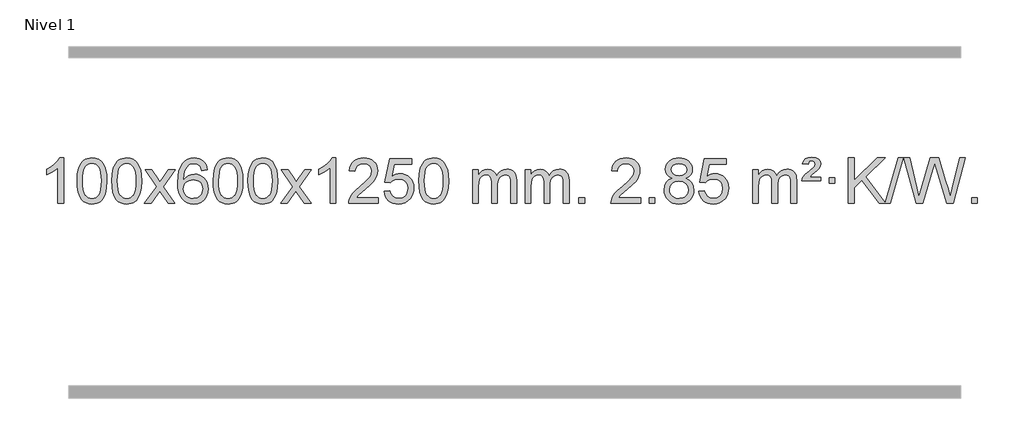
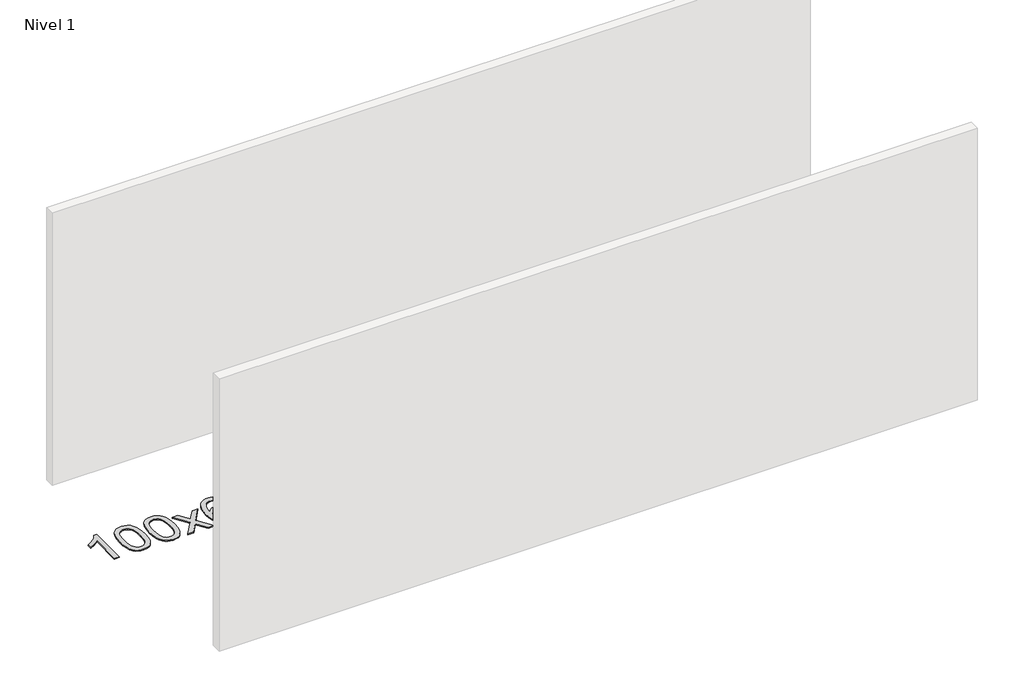
# One storey, part 4 of 9: 1 proxy.
"""IFC4 building model written with IfcOpenShell, lengths in millimetres."""

from ifc_helpers import new_model, si_unit, origin, origin_with_axes, place, context, project, spatial, polyline, outline, extrude, element, save

model = new_model("IFC4")

# Units and contexts
model_context = context("Model", 3, world=origin())
ifc_project = project(units=[si_unit("LENGTHUNIT", "METRE", prefix="MILLI")], contexts=[model_context])

# Site, building, storey
site = spatial("IfcSite", under=ifc_project)
building = spatial("IfcBuilding", under=site)
storey = spatial("IfcBuildingStorey", under=building, Name="Nivel 1", Elevation=0.0)

# Proxy
placement = place(None, origin())
element("IfcBuildingElementProxy", 1, Name="Texto de modelo 1", ObjectType="Texto de modelo 1", at=placement, inside=storey, context=model_context, shape_type="SweptSolid", body=[
    extrude(outline(polyline([(-6575.4615788, -12403.579453), (-6625.6897338, -12403.579453), (-6625.6897338, -12090.4382987), (-6646.6590076, -12107.3976587), (-6673.2691385, -12124.3324932), (-6726.146044, -12149.6918254), (-6726.146044, -12102.2105225), (-6686.6968314, -12080.7507395), (-6652.520594, -12055.219729), (-6625.5793692, -12028.0700378), (-6607.8351943, -12001.7542124), (-6575.4615788, -12001.7542124), (-6575.4615788, -12403.579453)])), origin_with_axes(), (0.0, 0.0, 1.0), 10.0),
    extrude(outline(polyline([(-6456.1697105, -12205.9041943), (-6452.4786278, -12141.5861588), (-6441.4053797, -12090.2911459), (-6423.0603309, -12051.2343407), (-6411.2022679, -12036.0009605), (-6397.5538459, -12023.6309284), (-6382.0690796, -12014.0598651), (-6364.7019837, -12007.2233914), (-6324.3208034, -12001.7542124), (-6293.3696649, -12004.991574), (-6265.6558879, -12014.7036586), (-6242.4793222, -12030.5103217), (-6225.1398175, -12052.0314184), (-6212.0432185, -12079.0830078), (-6201.5953698, -12111.4811488), (-6194.7527647, -12152.6226186), (-6192.4718963, -12205.9041943), (-6196.1261908, -12269.8543477), (-6207.0890743, -12321.0267333), (-6225.3237585, -12360.1203266), (-6237.1542303, -12375.3996922), (-6250.7934553, -12387.8341036), (-6266.2966157, -12397.4695462), (-6283.7188939, -12404.3520052), (-6324.3208034, -12409.8579724), (-6351.9855294, -12407.4667394), (-6376.5109958, -12400.2930405), (-6397.8972024, -12388.3368757), (-6416.1441494, -12371.5982449), (-6433.6553324, -12341.3399508), (-6446.1633202, -12303.6381776), (-6453.6681129, -12258.4929255), (-6456.1697105, -12205.9041943)]), holes=[polyline([(-6405.9415554, -12205.8060924), (-6404.4700274, -12249.4706195), (-6400.0554435, -12284.8148822), (-6392.6978036, -12311.8388804), (-6382.3971077, -12330.5426142), (-6369.9381708, -12343.2682656), (-6356.1058078, -12352.3580165), (-6340.9000186, -12357.8118671), (-6324.3208034, -12359.6298173), (-6307.7415881, -12357.8057357), (-6292.535799, -12352.3334911), (-6278.703436, -12343.2130833), (-6266.2444991, -12330.4445124), (-6255.9438032, -12311.7101217), (-6248.5861633, -12284.6922549), (-6244.1715794, -12249.3909118), (-6242.7000514, -12205.8060924), (-6244.1225284, -12163.2973278), (-6248.3899596, -12128.5753989), (-6255.5023448, -12101.6403055), (-6265.4596842, -12082.4920476), (-6277.7101546, -12069.1440625), (-6291.7019332, -12059.6097875), (-6307.4350198, -12053.8892225), (-6324.9094146, -12051.9823675), (-6341.4027907, -12053.6623619), (-6356.3510624, -12058.7023452), (-6369.7542298, -12067.1023175), (-6381.6122928, -12078.8622786), (-6392.2563452, -12099.708925), (-6399.8592397, -12127.8151094), (-6404.4209765, -12163.1808319), (-6405.9415554, -12205.8060924)])]), origin_with_axes(), (0.0, 0.0, 1.0), 10.0),
    extrude(outline(polyline([(-6148.5222606, -12205.9041943), (-6144.8311779, -12141.5861588), (-6133.7579299, -12090.2911459), (-6115.4128811, -12051.2343407), (-6103.5548181, -12036.0009605), (-6089.9063961, -12023.6309284), (-6074.4216298, -12014.0598651), (-6057.0545339, -12007.2233914), (-6016.6733536, -12001.7542124), (-5985.722215, -12004.991574), (-5958.0084381, -12014.7036586), (-5934.8318724, -12030.5103217), (-5917.4923677, -12052.0314184), (-5904.3957686, -12079.0830078), (-5893.94792, -12111.4811488), (-5887.1053149, -12152.6226186), (-5884.8244465, -12205.9041943), (-5888.478741, -12269.8543477), (-5899.4416244, -12321.0267333), (-5917.6763087, -12360.1203266), (-5929.5067805, -12375.3996922), (-5943.1460055, -12387.8341036), (-5958.6491659, -12397.4695462), (-5976.071444, -12404.3520052), (-6016.6733536, -12409.8579724), (-6044.3380796, -12407.4667394), (-6068.8635459, -12400.2930405), (-6090.2497526, -12388.3368757), (-6108.4966996, -12371.5982449), (-6126.0078825, -12341.3399508), (-6138.5158704, -12303.6381776), (-6146.0206631, -12258.4929255), (-6148.5222606, -12205.9041943)]), holes=[polyline([(-6098.2941056, -12205.8060924), (-6096.8225776, -12249.4706195), (-6092.4079936, -12284.8148822), (-6085.0503537, -12311.8388804), (-6074.7496579, -12330.5426142), (-6062.290721, -12343.2682656), (-6048.4583579, -12352.3580165), (-6033.2525688, -12357.8118671), (-6016.6733536, -12359.6298173), (-6000.0941383, -12357.8057357), (-5984.8883492, -12352.3334911), (-5971.0559862, -12343.2130833), (-5958.5970493, -12330.4445124), (-5948.2963534, -12311.7101217), (-5940.9387135, -12284.6922549), (-5936.5241295, -12249.3909118), (-5935.0526016, -12205.8060924), (-5936.4750786, -12163.2973278), (-5940.7425098, -12128.5753989), (-5947.854895, -12101.6403055), (-5957.8122343, -12082.4920476), (-5970.0627048, -12069.1440625), (-5984.0544833, -12059.6097875), (-5999.78757, -12053.8892225), (-6017.2619648, -12051.9823675), (-6033.7553409, -12053.6623619), (-6048.7036126, -12058.7023452), (-6062.10678, -12067.1023175), (-6073.9648429, -12078.8622786), (-6084.6088953, -12099.708925), (-6092.2117899, -12127.8151094), (-6096.7735266, -12163.1808319), (-6098.2941056, -12205.8060924)])]), origin_with_axes(), (0.0, 0.0, 1.0), 10.0),
    extrude(outline(polyline([(-5859.7103689, -12403.579453), (-5752.3869282, -12255.2494325), (-5853.4318496, -12108.4890419), (-5793.0011005, -12108.4890419), (-5744.2444734, -12179.122385), (-5721.4848406, -12212.4770192), (-5701.7663657, -12185.2047007), (-5646.2407099, -12108.4890419), (-5585.8099608, -12108.4890419), (-5691.9561791, -12255.2494325), (-5589.7340354, -12403.579453), (-5650.1647845, -12403.579453), (-5711.6746541, -12314.4048574), (-5722.9563686, -12298.1199477), (-5799.2796199, -12403.579453), (-5859.7103689, -12403.579453)])), origin_with_axes(), (0.0, 0.0, 1.0), 10.0),
    extrude(outline(polyline([(-5300.9221437, -12108.4890419), (-5351.1502988, -12114.7675613), (-5359.2437027, -12089.874213), (-5370.1820607, -12072.8780648), (-5392.9662189, -12057.2062918), (-5420.5083176, -12051.9823675), (-5443.8565616, -12055.0235253), (-5465.8313794, -12064.1469988), (-5484.7037258, -12083.3627017), (-5500.1179814, -12109.8134171), (-5510.5290419, -12147.227016), (-5514.3918028, -12199.3313693), (-5494.2441322, -12175.8237098), (-5470.0988106, -12159.2567573), (-5443.3047386, -12149.434308), (-5415.2108169, -12146.1601582), (-5391.077758, -12148.398107), (-5368.8086346, -12155.1119534), (-5348.4034466, -12166.3016975), (-5329.862194, -12181.9673391), (-5314.4540698, -12201.1769106), (-5303.4482668, -12222.9984443), (-5296.844785, -12247.4319401), (-5294.6436244, -12274.4773982), (-5298.7884282, -12310.4439945), (-5311.2228396, -12343.786366), (-5330.9167891, -12372.0642287), (-5356.840207, -12392.8372987), (-5387.815871, -12405.602804), (-5422.6665587, -12409.8579724), (-5452.6090874, -12407.0375437), (-5479.6514797, -12398.5762579), (-5503.7937357, -12384.4741147), (-5525.0358552, -12364.7311143), (-5542.3539001, -12338.5133908), (-5554.7239322, -12304.9870783), (-5562.1459515, -12264.1521768), (-5564.6199579, -12216.0086864), (-5561.8731057, -12162.0342663), (-5553.632549, -12115.9693092), (-5539.8982878, -12077.8138149), (-5520.6703222, -12047.5677835), (-5499.8298072, -12027.5243462), (-5475.6660915, -12013.2076052), (-5448.179175, -12004.6175606), (-5417.3690579, -12001.7542124), (-5394.2354118, -12003.5261773), (-5373.2967949, -12008.8420722), (-5354.5532073, -12017.7018969), (-5338.0046489, -12030.1056515), (-5324.0987094, -12045.6364031), (-5313.2829788, -12063.8772186), (-5305.5574569, -12084.8280983), (-5300.9221437, -12108.4890419)]), holes=[polyline([(-5514.3918028, -12273.6925832), (-5511.485535, -12295.9494439), (-5502.7667318, -12317.2007605), (-5489.2286743, -12335.472233), (-5471.8646442, -12348.7895612), (-5450.9076332, -12356.9197533), (-5426.5906333, -12359.6298173), (-5393.4444655, -12354.0134855), (-5379.5293291, -12346.9930708), (-5367.3861575, -12337.1644901), (-5357.5361171, -12324.9262824), (-5350.500374, -12310.6769865), (-5344.8717794, -12276.1451299), (-5350.4267976, -12242.9989621), (-5357.3705702, -12229.3781312), (-5367.0918519, -12217.725469), (-5379.2718117, -12208.3904634), (-5393.5916183, -12201.7226022), (-5428.6507725, -12196.3883133), (-5461.7478893, -12201.7226022), (-5489.4248781, -12217.725469), (-5500.3479076, -12229.2248471), (-5508.1500716, -12242.3858254), (-5512.83137, -12257.2084042), (-5514.3918028, -12273.6925832)])]), origin_with_axes(), (0.0, 0.0, 1.0), 10.0),
    extrude(outline(polyline([(-5250.6939887, -12205.9041943), (-5247.002906, -12141.5861588), (-5235.9296579, -12090.2911459), (-5217.5846091, -12051.2343407), (-5205.7265461, -12036.0009605), (-5192.0781241, -12023.6309284), (-5176.5933578, -12014.0598651), (-5159.2262619, -12007.2233914), (-5118.8450816, -12001.7542124), (-5087.8939431, -12004.991574), (-5060.1801661, -12014.7036586), (-5037.0036004, -12030.5103217), (-5019.6640957, -12052.0314184), (-5006.5674967, -12079.0830078), (-4996.119648, -12111.4811488), (-4989.2770429, -12152.6226186), (-4986.9961745, -12205.9041943), (-4990.650469, -12269.8543477), (-5001.6133525, -12321.0267333), (-5019.8480367, -12360.1203266), (-5031.6785085, -12375.3996922), (-5045.3177335, -12387.8341036), (-5060.8208939, -12397.4695462), (-5078.2431721, -12404.3520052), (-5118.8450816, -12409.8579724), (-5146.5098076, -12407.4667394), (-5171.035274, -12400.2930405), (-5192.4214806, -12388.3368757), (-5210.6684276, -12371.5982449), (-5228.1796106, -12341.3399508), (-5240.6875984, -12303.6381776), (-5248.1923911, -12258.4929255), (-5250.6939887, -12205.9041943)]), holes=[polyline([(-5200.4658336, -12205.8060924), (-5198.9943056, -12249.4706195), (-5194.5797217, -12284.8148822), (-5187.2220818, -12311.8388804), (-5176.9213859, -12330.5426142), (-5164.462449, -12343.2682656), (-5150.630086, -12352.3580165), (-5135.4242968, -12357.8118671), (-5118.8450816, -12359.6298173), (-5102.2658663, -12357.8057357), (-5087.0600772, -12352.3334911), (-5073.2277142, -12343.2130833), (-5060.7687773, -12330.4445124), (-5050.4680814, -12311.7101217), (-5043.1104415, -12284.6922549), (-5038.6958576, -12249.3909118), (-5037.2243296, -12205.8060924), (-5038.6468066, -12163.2973278), (-5042.9142378, -12128.5753989), (-5050.026623, -12101.6403055), (-5059.9839624, -12082.4920476), (-5072.2344328, -12069.1440625), (-5086.2262114, -12059.6097875), (-5101.959298, -12053.8892225), (-5119.4336928, -12051.9823675), (-5135.9270689, -12053.6623619), (-5150.8753406, -12058.7023452), (-5164.278508, -12067.1023175), (-5176.136571, -12078.8622786), (-5186.7806234, -12099.708925), (-5194.3835179, -12127.8151094), (-5198.9452547, -12163.1808319), (-5200.4658336, -12205.8060924)])]), origin_with_axes(), (0.0, 0.0, 1.0), 10.0),
    extrude(outline(polyline([(-4943.0465388, -12205.9041943), (-4939.3554561, -12141.5861588), (-4928.2822081, -12090.2911459), (-4909.9371593, -12051.2343407), (-4898.0790963, -12036.0009605), (-4884.4306743, -12023.6309284), (-4868.945908, -12014.0598651), (-4851.5788121, -12007.2233914), (-4811.1976318, -12001.7542124), (-4780.2464932, -12004.991574), (-4752.5327163, -12014.7036586), (-4729.3561506, -12030.5103217), (-4712.0166459, -12052.0314184), (-4698.9200468, -12079.0830078), (-4688.4721982, -12111.4811488), (-4681.6295931, -12152.6226186), (-4679.3487247, -12205.9041943), (-4683.0030192, -12269.8543477), (-4693.9659026, -12321.0267333), (-4712.2005869, -12360.1203266), (-4724.0310587, -12375.3996922), (-4737.6702837, -12387.8341036), (-4753.1734441, -12397.4695462), (-4770.5957222, -12404.3520052), (-4811.1976318, -12409.8579724), (-4838.8623578, -12407.4667394), (-4863.3878241, -12400.2930405), (-4884.7740308, -12388.3368757), (-4903.0209778, -12371.5982449), (-4920.5321607, -12341.3399508), (-4933.0401486, -12303.6381776), (-4940.5449413, -12258.4929255), (-4943.0465388, -12205.9041943)]), holes=[polyline([(-4892.8183838, -12205.8060924), (-4891.3468558, -12249.4706195), (-4886.9322718, -12284.8148822), (-4879.5746319, -12311.8388804), (-4869.2739361, -12330.5426142), (-4856.8149992, -12343.2682656), (-4842.9826361, -12352.3580165), (-4827.776847, -12357.8118671), (-4811.1976318, -12359.6298173), (-4794.6184165, -12357.8057357), (-4779.4126274, -12352.3334911), (-4765.5802644, -12343.2130833), (-4753.1213275, -12330.4445124), (-4742.8206316, -12311.7101217), (-4735.4629917, -12284.6922549), (-4731.0484077, -12249.3909118), (-4729.5768798, -12205.8060924), (-4730.9993568, -12163.2973278), (-4735.266788, -12128.5753989), (-4742.3791732, -12101.6403055), (-4752.3365125, -12082.4920476), (-4764.586983, -12069.1440625), (-4778.5787615, -12059.6097875), (-4794.3118482, -12053.8892225), (-4811.786243, -12051.9823675), (-4828.2796191, -12053.6623619), (-4843.2278908, -12058.7023452), (-4856.6310582, -12067.1023175), (-4868.4891211, -12078.8622786), (-4879.1331735, -12099.708925), (-4886.7360681, -12127.8151094), (-4891.2978048, -12163.1808319), (-4892.8183838, -12205.8060924)])]), origin_with_axes(), (0.0, 0.0, 1.0), 10.0),
    extrude(outline(polyline([(-4654.2346472, -12403.579453), (-4546.9112064, -12255.2494325), (-4647.9561278, -12108.4890419), (-4587.5253787, -12108.4890419), (-4538.7687516, -12179.122385), (-4516.0091188, -12212.4770192), (-4496.2906439, -12185.2047007), (-4440.7649881, -12108.4890419), (-4380.334239, -12108.4890419), (-4486.4804574, -12255.2494325), (-4384.2583136, -12403.579453), (-4444.6890627, -12403.579453), (-4506.1989323, -12314.4048574), (-4517.4806468, -12298.1199477), (-4593.8038981, -12403.579453), (-4654.2346472, -12403.579453)])), origin_with_axes(), (0.0, 0.0, 1.0), 10.0),
    extrude(outline(polyline([(-4164.5101352, -12403.579453), (-4214.7382902, -12403.579453), (-4214.7382902, -12090.4382987), (-4235.707564, -12107.3976587), (-4262.317695, -12124.3324932), (-4315.1946004, -12149.6918254), (-4315.1946004, -12102.2105225), (-4275.7453878, -12080.7507395), (-4241.5691504, -12055.219729), (-4214.6279257, -12028.0700378), (-4196.8837508, -12001.7542124), (-4164.5101352, -12001.7542124), (-4164.5101352, -12403.579453)])), origin_with_axes(), (0.0, 0.0, 1.0), 10.0),
    extrude(outline(polyline([(-3787.7989721, -12353.3512979), (-3787.7989721, -12403.579453), (-4051.4967863, -12403.579453), (-4050.3931403, -12385.8965918), (-4046.1011837, -12368.9494945), (-4033.7158232, -12341.8856424), (-4015.5915035, -12315.6311307), (-3989.37378, -12288.1503456), (-3952.7082078, -12257.4076736), (-3898.5069272, -12209.2641831), (-3865.9861588, -12173.7267824), (-3849.7257746, -12144.884834), (-3844.3056466, -12116.8277005), (-3849.4192063, -12091.6768347), (-3864.7598855, -12070.7688747), (-3888.3411214, -12056.6789943), (-3918.1763512, -12051.9823675), (-3949.5076345, -12056.5686297), (-3973.8491598, -12070.3274163), (-3989.557721, -12092.1796068), (-3994.9901118, -12121.0460807), (-4045.2182669, -12114.7675613), (-4040.8987191, -12088.838012), (-4033.0413728, -12066.1826125), (-4021.646228, -12046.8013627), (-4006.7132847, -12030.6942627), (-3988.5858994, -12018.0329907), (-3967.6074286, -12008.989225), (-3943.7778724, -12003.5629655), (-3917.0972307, -12001.7542124), (-3890.1774657, -12003.7653006), (-3866.2191508, -12009.7985654), (-3845.2222859, -12019.8540066), (-3827.1868711, -12033.9316242), (-3812.7015175, -12050.9890861), (-3802.3548364, -12069.9840598), (-3796.1468277, -12090.9165453), (-3794.0774915, -12113.7865427), (-3796.3093089, -12137.8092369), (-3803.0047612, -12161.4149983), (-3814.8873497, -12185.4254299), (-3832.6805755, -12210.6621347), (-3861.0442774, -12240.7916701), (-3904.6382938, -12279.4805933), (-3962.4202925, -12327.795762), (-3985.0818234, -12353.3512979), (-3787.7989721, -12353.3512979)])), origin_with_axes(), (0.0, 0.0, 1.0), 10.0),
    extrude(outline(polyline([(-3737.570817, -12296.8446235), (-3687.342662, -12290.5661041), (-3678.1210866, -12320.7201649), (-3662.0323807, -12342.3148381), (-3639.1501206, -12355.3010725), (-3609.5478827, -12359.6298173), (-3590.418019, -12358.1245668), (-3573.5444981, -12353.6088153), (-3558.9273202, -12346.0825628), (-3546.5664851, -12335.5458094), (-3536.7379045, -12322.519721), (-3529.7174898, -12307.5254641), (-3524.101158, -12271.6324441), (-3529.3618705, -12237.8363514), (-3535.9377612, -12223.9181493), (-3545.1440081, -12211.9865099), (-3557.0112681, -12202.4154467), (-3571.5701981, -12195.5789729), (-3608.7630678, -12190.1097939), (-3633.1291186, -12192.2925604), (-3652.8598563, -12198.8408599), (-3668.6174684, -12208.8717757), (-3681.0641426, -12221.5023908), (-3731.2922977, -12215.2238715), (-3687.342662, -12008.0327318), (-3492.708561, -12008.0327318), (-3492.708561, -12058.2608869), (-3646.7284897, -12058.2608869), (-3668.2127982, -12168.919791), (-3650.4870174, -12156.2155994), (-3632.332041, -12147.1411769), (-3613.7478688, -12141.6965234), (-3594.734501, -12139.8816388), (-3570.273414, -12142.1318504), (-3547.8050212, -12148.882485), (-3527.3293225, -12160.1335427), (-3508.8463179, -12175.8850234), (-3493.5454926, -12195.1743027), (-3482.6163316, -12217.038756), (-3476.0588351, -12241.4783832), (-3473.8730029, -12268.4931844), (-3475.8411716, -12294.5147042), (-3481.7456776, -12318.7213394), (-3491.586521, -12341.1130902), (-3505.3637017, -12361.6899565), (-3526.2348735, -12382.7634634), (-3550.5886616, -12397.8159684), (-3578.4250659, -12406.8474714), (-3609.7440864, -12409.8579724), (-3635.6644387, -12407.9235262), (-3659.077062, -12402.1201877), (-3679.9819564, -12392.447957), (-3698.3791218, -12378.9068338), (-3713.6860785, -12362.1712688), (-3725.3203466, -12342.915712), (-3733.2819261, -12321.1401636), (-3737.570817, -12296.8446235)])), origin_with_axes(), (0.0, 0.0, 1.0), 10.0),
    extrude(outline(polyline([(-3429.9233672, -12205.9041943), (-3426.2322845, -12141.5861588), (-3415.1590365, -12090.2911459), (-3396.8139876, -12051.2343407), (-3384.9559247, -12036.0009605), (-3371.3075026, -12023.6309284), (-3355.8227363, -12014.0598651), (-3338.4556405, -12007.2233914), (-3298.0744601, -12001.7542124), (-3267.1233216, -12004.991574), (-3239.4095446, -12014.7036586), (-3216.2329789, -12030.5103217), (-3198.8934742, -12052.0314184), (-3185.7968752, -12079.0830078), (-3175.3490265, -12111.4811488), (-3168.5064214, -12152.6226186), (-3166.2255531, -12205.9041943), (-3169.8798475, -12269.8543477), (-3180.842731, -12321.0267333), (-3199.0774152, -12360.1203266), (-3210.9078871, -12375.3996922), (-3224.547112, -12387.8341036), (-3240.0502724, -12397.4695462), (-3257.4725506, -12404.3520052), (-3298.0744601, -12409.8579724), (-3325.7391862, -12407.4667394), (-3350.2646525, -12400.2930405), (-3371.6508592, -12388.3368757), (-3389.8978061, -12371.5982449), (-3407.4089891, -12341.3399508), (-3419.9169769, -12303.6381776), (-3427.4217696, -12258.4929255), (-3429.9233672, -12205.9041943)]), holes=[polyline([(-3379.6952121, -12205.8060924), (-3378.2236842, -12249.4706195), (-3373.8091002, -12284.8148822), (-3366.4514603, -12311.8388804), (-3356.1507644, -12330.5426142), (-3343.6918275, -12343.2682656), (-3329.8594645, -12352.3580165), (-3314.6536754, -12357.8118671), (-3298.0744601, -12359.6298173), (-3281.4952449, -12357.8057357), (-3266.2894558, -12352.3334911), (-3252.4570927, -12343.2130833), (-3239.9981558, -12330.4445124), (-3229.69746, -12311.7101217), (-3222.3398201, -12284.6922549), (-3217.9252361, -12249.3909118), (-3216.4537081, -12205.8060924), (-3217.8761852, -12163.2973278), (-3222.1436163, -12128.5753989), (-3229.2560016, -12101.6403055), (-3239.2133409, -12082.4920476), (-3251.4638113, -12069.1440625), (-3265.4555899, -12059.6097875), (-3281.1886766, -12053.8892225), (-3298.6630713, -12051.9823675), (-3315.1564474, -12053.6623619), (-3330.1047192, -12058.7023452), (-3343.5078865, -12067.1023175), (-3355.3659495, -12078.8622786), (-3366.0100019, -12099.708925), (-3373.6128965, -12127.8151094), (-3378.1746332, -12163.1808319), (-3379.6952121, -12205.8060924)])]), origin_with_axes(), (0.0, 0.0, 1.0), 10.0),
    extrude(outline(polyline([(-2952.755894, -12403.579453), (-2952.755894, -12108.4890419), (-2902.5277389, -12108.4890419), (-2902.5277389, -12157.0494653), (-2887.4200517, -12134.7435537), (-2867.9958823, -12117.2691589), (-2844.9174185, -12105.9751816), (-2818.8468478, -12102.2105225), (-2790.9123416, -12106.048758), (-2768.5205908, -12117.5634645), (-2751.7942228, -12135.9943524), (-2740.8558648, -12160.5811324), (-2722.5476041, -12135.0439906), (-2701.6641696, -12116.803175), (-2678.205561, -12105.8586857), (-2652.1717785, -12102.2105225), (-2632.0639617, -12103.7280358), (-2614.414823, -12108.2805755), (-2599.2243623, -12115.8681416), (-2586.4925796, -12126.4907342), (-2576.4279413, -12140.2709806), (-2569.238914, -12157.3315082), (-2564.9254976, -12177.6723168), (-2563.4876922, -12201.2934066), (-2563.4876922, -12403.579453), (-2613.7158472, -12403.579453), (-2613.7158472, -12222.875817), (-2614.8808069, -12197.8230531), (-2618.3756858, -12180.9372695), (-2624.9239854, -12169.3735121), (-2635.2492067, -12160.2868268), (-2648.5297467, -12154.4007149), (-2663.9440023, -12152.4386776), (-2691.1550072, -12157.4663982), (-2713.3382915, -12172.54956), (-2721.9436645, -12184.1194488), (-2728.0903595, -12198.7182326), (-2733.0077155, -12237.0024856), (-2733.0077155, -12403.579453), (-2783.2358706, -12403.579453), (-2783.2358706, -12217.2840106), (-2786.1421384, -12188.8835206), (-2794.8609417, -12168.6254854), (-2810.2016209, -12156.4853796), (-2832.9735164, -12152.4386776), (-2852.3241093, -12155.1364789), (-2870.1541233, -12163.2298828), (-2884.8694032, -12176.5226856), (-2894.8757934, -12194.8186835), (-2900.6147525, -12220.2025411), (-2902.5277389, -12254.7589232), (-2902.5277389, -12403.579453), (-2952.755894, -12403.579453)])), origin_with_axes(), (0.0, 0.0, 1.0), 10.0),
    extrude(outline(polyline([(-2488.1454596, -12403.579453), (-2488.1454596, -12108.4890419), (-2437.9173045, -12108.4890419), (-2437.9173045, -12157.0494653), (-2422.8096172, -12134.7435537), (-2403.3854479, -12117.2691589), (-2380.306984, -12105.9751816), (-2354.2364133, -12102.2105225), (-2326.3019071, -12106.048758), (-2303.9101564, -12117.5634645), (-2287.1837883, -12135.9943524), (-2276.2454303, -12160.5811324), (-2257.9371697, -12135.0439906), (-2237.0537351, -12116.803175), (-2213.5951266, -12105.8586857), (-2187.561344, -12102.2105225), (-2167.4535273, -12103.7280358), (-2149.8043886, -12108.2805755), (-2134.6139279, -12115.8681416), (-2121.8821452, -12126.4907342), (-2111.8175069, -12140.2709806), (-2104.6284796, -12157.3315082), (-2100.3150632, -12177.6723168), (-2098.8772577, -12201.2934066), (-2098.8772577, -12403.579453), (-2149.1054128, -12403.579453), (-2149.1054128, -12222.875817), (-2150.2703724, -12197.8230531), (-2153.7652514, -12180.9372695), (-2160.3135509, -12169.3735121), (-2170.6387722, -12160.2868268), (-2183.9193123, -12154.4007149), (-2199.3335679, -12152.4386776), (-2226.5445728, -12157.4663982), (-2248.7278571, -12172.54956), (-2257.3332301, -12184.1194488), (-2263.4799251, -12198.7182326), (-2268.3972811, -12237.0024856), (-2268.3972811, -12403.579453), (-2318.6254362, -12403.579453), (-2318.6254362, -12217.2840106), (-2321.5317039, -12188.8835206), (-2330.2505072, -12168.6254854), (-2345.5911864, -12156.4853796), (-2368.3630819, -12152.4386776), (-2387.7136749, -12155.1364789), (-2405.5436889, -12163.2298828), (-2420.2589687, -12176.5226856), (-2430.265359, -12194.8186835), (-2436.0043181, -12220.2025411), (-2437.9173045, -12254.7589232), (-2437.9173045, -12403.579453), (-2488.1454596, -12403.579453)])), origin_with_axes(), (0.0, 0.0, 1.0), 10.0),
    extrude(outline(polyline([(-2010.9779863, -12403.579453), (-2010.9779863, -12353.3512979), (-1960.7498313, -12353.3512979), (-1960.7498313, -12403.579453), (-2010.9779863, -12403.579453)])), origin_with_axes(), (0.0, 0.0, 1.0), 10.0),
    extrude(outline(polyline([(-1464.7467999, -12353.3512979), (-1464.7467999, -12403.579453), (-1728.444614, -12403.579453), (-1727.3409681, -12385.8965918), (-1723.0490115, -12368.9494945), (-1710.6636509, -12341.8856424), (-1692.5393313, -12315.6311307), (-1666.3216078, -12288.1503456), (-1629.6560356, -12257.4076736), (-1575.454755, -12209.2641831), (-1542.9339866, -12173.7267824), (-1526.6736024, -12144.884834), (-1521.2534744, -12116.8277005), (-1526.3670341, -12091.6768347), (-1541.7077133, -12070.7688747), (-1565.2889492, -12056.6789943), (-1595.124179, -12051.9823675), (-1626.4554623, -12056.5686297), (-1650.7969876, -12070.3274163), (-1666.5055488, -12092.1796068), (-1671.9379396, -12121.0460807), (-1722.1660947, -12114.7675613), (-1717.8465469, -12088.838012), (-1709.9892006, -12066.1826125), (-1698.5940558, -12046.8013627), (-1683.6611125, -12030.6942627), (-1665.5337272, -12018.0329907), (-1644.5552564, -12008.989225), (-1620.7257002, -12003.5629655), (-1594.0450585, -12001.7542124), (-1567.1252935, -12003.7653006), (-1543.1669785, -12009.7985654), (-1522.1701137, -12019.8540066), (-1504.1346989, -12033.9316242), (-1489.6493453, -12050.9890861), (-1479.3026642, -12069.9840598), (-1473.0946555, -12090.9165453), (-1471.0253193, -12113.7865427), (-1473.2571367, -12137.8092369), (-1479.952589, -12161.4149983), (-1491.8351775, -12185.4254299), (-1509.6284033, -12210.6621347), (-1537.9921051, -12240.7916701), (-1581.5861216, -12279.4805933), (-1639.3681203, -12327.795762), (-1662.0296512, -12353.3512979), (-1464.7467999, -12353.3512979)])), origin_with_axes(), (0.0, 0.0, 1.0), 10.0),
    extrude(outline(polyline([(-1389.4045673, -12403.579453), (-1389.4045673, -12353.3512979), (-1339.1764122, -12353.3512979), (-1339.1764122, -12403.579453), (-1389.4045673, -12403.579453)])), origin_with_axes(), (0.0, 0.0, 1.0), 10.0),
    extrude(outline(polyline([(-1184.3716686, -12182.2616447), (-1211.2638425, -12169.0178929), (-1230.1361888, -12151.0652515), (-1241.2830133, -12128.7716026), (-1244.9986215, -12102.5048281), (-1242.9752705, -12082.0199324), (-1236.9052176, -12063.2395565), (-1226.7884627, -12046.1637006), (-1212.6250059, -12030.7923645), (-1195.0954288, -12018.088173), (-1174.8803132, -12009.0137504), (-1151.979659, -12003.5690969), (-1126.3934662, -12001.7542124), (-1100.6846461, -12003.6120165), (-1077.6123136, -12009.1854287), (-1057.1764688, -12018.4744491), (-1039.3771116, -12031.4790776), (-1024.9561374, -12047.1508506), (-1014.6554415, -12064.4413044), (-1008.475024, -12083.3504389), (-1006.4148848, -12103.8782543), (-1010.0814421, -12129.2989001), (-1021.0811137, -12151.2124043), (-1039.5365271, -12169.0546811), (-1065.5703097, -12182.2616447), (-1034.6559593, -12198.1909351), (-1012.153844, -12221.6495436), (-998.4318456, -12251.5092989), (-993.8578461, -12286.6420295), (-996.1264517, -12311.6947933), (-1002.9322686, -12334.6628926), (-1014.2752968, -12355.5463272), (-1030.1555363, -12374.3450971), (-1049.7391211, -12389.88198), (-1072.1921856, -12400.9797536), (-1097.5147296, -12407.6384177), (-1125.7067531, -12409.8579724), (-1153.8987767, -12407.6292206), (-1179.2213207, -12400.9429654), (-1201.6743852, -12389.7992066), (-1221.25797, -12374.1979443), (-1237.1382095, -12355.26735), (-1248.4812377, -12334.135595), (-1255.2870546, -12310.8026795), (-1257.5556602, -12285.2686033), (-1252.7977197, -12248.7747094), (-1238.5238983, -12218.7555386), (-1215.46996, -12196.2411605), (-1184.3716686, -12182.2616447)]), holes=[polyline([(-1194.7704664, -12103.9763561), (-1190.3190942, -12125.902123), (-1176.9649778, -12143.413306), (-1155.1005246, -12154.8912243), (-1125.118142, -12158.717197), (-1095.8347351, -12154.9157497), (-1074.3013757, -12143.5114079), (-1061.0576239, -12126.5888361), (-1056.6430399, -12106.232699), (-1061.2047767, -12085.1040098), (-1074.8899869, -12067.629615), (-1096.7176519, -12055.8941794), (-1125.7067531, -12051.9823675), (-1154.8797954, -12055.8083402), (-1176.6706722, -12067.2862585), (-1190.2455178, -12084.1107284), (-1194.7704664, -12103.9763561)]), polyline([(-1207.3275051, -12283.5027698), (-1205.2305778, -12302.7184726), (-1198.9397957, -12321.3210389), (-1187.3269873, -12337.5446349), (-1169.2639814, -12349.623427), (-1147.6325201, -12357.1282197), (-1125.3143457, -12359.6298173), (-1091.1258456, -12354.3691048), (-1077.2321689, -12347.7932141), (-1065.4722078, -12338.5869672), (-1049.4325528, -12314.6869002), (-1044.0860012, -12285.0723996), (-1049.6042311, -12254.9551269), (-1066.1589209, -12230.5277625), (-1078.237713, -12221.0854579), (-1092.4011699, -12214.3409547), (-1126.9820774, -12208.9453521), (-1160.6923309, -12214.2673783), (-1174.4296577, -12220.919911), (-1186.0884513, -12230.2334569), (-1202.0177417, -12254.1948375), (-1207.3275051, -12283.5027698)])]), origin_with_axes(), (0.0, 0.0, 1.0), 10.0),
    extrude(outline(polyline([(-949.9082104, -12296.8446235), (-899.6800553, -12290.5661041), (-890.45848, -12320.7201649), (-874.369774, -12342.3148381), (-851.4875139, -12355.3010725), (-821.8852761, -12359.6298173), (-802.7554123, -12358.1245668), (-785.8818915, -12353.6088153), (-771.2647135, -12346.0825628), (-758.9038785, -12335.5458094), (-749.0752979, -12322.519721), (-742.0548831, -12307.5254641), (-736.4385513, -12271.6324441), (-741.6992639, -12237.8363514), (-748.2751545, -12223.9181493), (-757.4814014, -12211.9865099), (-769.3486615, -12202.4154467), (-783.9075914, -12195.5789729), (-821.1004611, -12190.1097939), (-845.466512, -12192.2925604), (-865.1972496, -12198.8408599), (-880.9548618, -12208.8717757), (-893.4015359, -12221.5023908), (-943.629691, -12215.2238715), (-899.6800553, -12008.0327318), (-705.0459544, -12008.0327318), (-705.0459544, -12058.2608869), (-859.065883, -12058.2608869), (-880.5501916, -12168.919791), (-862.8244108, -12156.2155994), (-844.6694343, -12147.1411769), (-826.0852622, -12141.6965234), (-807.0718944, -12139.8816388), (-782.6108074, -12142.1318504), (-760.1424145, -12148.882485), (-739.6667158, -12160.1335427), (-721.1837113, -12175.8850234), (-705.8828859, -12195.1743027), (-694.953725, -12217.038756), (-688.3962284, -12241.4783832), (-686.2103962, -12268.4931844), (-688.1785649, -12294.5147042), (-694.0830709, -12318.7213394), (-703.9239143, -12341.1130902), (-717.701095, -12361.6899565), (-738.5722669, -12382.7634634), (-762.926055, -12397.8159684), (-790.7624593, -12406.8474714), (-822.0814798, -12409.8579724), (-848.001832, -12407.9235262), (-871.4144553, -12402.1201877), (-892.3193497, -12392.447957), (-910.7165152, -12378.9068338), (-926.0234719, -12362.1712688), (-937.6577399, -12342.915712), (-945.6193195, -12321.1401636), (-949.9082104, -12296.8446235)])), origin_with_axes(), (0.0, 0.0, 1.0), 10.0),
    extrude(outline(polyline([(-472.7407372, -12403.579453), (-472.7407372, -12108.4890419), (-422.5125821, -12108.4890419), (-422.5125821, -12157.0494653), (-407.4048948, -12134.7435537), (-387.9807255, -12117.2691589), (-364.9022617, -12105.9751816), (-338.8316909, -12102.2105225), (-310.8971848, -12106.048758), (-288.505434, -12117.5634645), (-271.7790659, -12135.9943524), (-260.840708, -12160.5811324), (-242.5324473, -12135.0439906), (-221.6490127, -12116.803175), (-198.1904042, -12105.8586857), (-172.1566217, -12102.2105225), (-152.0488049, -12103.7280358), (-134.3996662, -12108.2805755), (-119.2092055, -12115.8681416), (-106.4774228, -12126.4907342), (-96.4127845, -12140.2709806), (-89.2237572, -12157.3315082), (-84.9103408, -12177.6723168), (-83.4725353, -12201.2934066), (-83.4725353, -12403.579453), (-133.7006904, -12403.579453), (-133.7006904, -12222.875817), (-134.8656501, -12197.8230531), (-138.360529, -12180.9372695), (-144.9088285, -12169.3735121), (-155.2340499, -12160.2868268), (-168.5145899, -12154.4007149), (-183.9288455, -12152.4386776), (-211.1398504, -12157.4663982), (-233.3231347, -12172.54956), (-241.9285077, -12184.1194488), (-248.0752027, -12198.7182326), (-252.9925587, -12237.0024856), (-252.9925587, -12403.579453), (-303.2207138, -12403.579453), (-303.2207138, -12217.2840106), (-306.1269816, -12188.8835206), (-314.8457848, -12168.6254854), (-330.186464, -12156.4853796), (-352.9583595, -12152.4386776), (-372.3089525, -12155.1364789), (-390.1389665, -12163.2298828), (-404.8542463, -12176.5226856), (-414.8606366, -12194.8186835), (-420.5995957, -12220.2025411), (-422.5125821, -12254.7589232), (-422.5125821, -12403.579453), (-472.7407372, -12403.579453)])), origin_with_axes(), (0.0, 0.0, 1.0), 10.0),
    extrude(outline(polyline([(-39.5228997, -12202.6668327), (-35.6969269, -12186.8479069), (-27.3582683, -12170.9799302), (-5.8494344, -12145.8413272), (26.1072483, -12118.1030247), (70.2530877, -12080.726214), (77.3899984, -12069.1992448), (79.7689686, -12057.3779701), (77.8805077, -12045.2869152), (72.215125, -12035.5012541), (62.8463969, -12029.026531), (49.8478997, -12026.8682899), (37.4134883, -12028.4869707), (28.5597949, -12033.343013), (22.1341227, -12042.8098431), (16.9837748, -12058.2608869), (-33.2443803, -12051.9823675), (-22.4041241, -12026.7701881), (-5.775858, -12009.2099542), (17.9893189, -11998.9092583), (50.2403072, -11995.475693), (86.0229626, -11999.6082341), (110.7691581, -12012.0058573), (125.1901323, -12030.3386434), (129.9971237, -12052.2766731), (125.9013708, -12075.1834586), (113.6141122, -12096.8149199), (93.0862969, -12116.6314968), (56.6169284, -12144.6886303), (31.0123416, -12171.2742358), (129.9971237, -12171.2742358), (129.9971237, -12202.6668327), (-39.5228997, -12202.6668327)])), origin_with_axes(), (0.0, 0.0, 1.0), 10.0),
    extrude(outline(polyline([(205.3393563, -12227.7809102), (205.3393563, -12177.5527552), (255.5675114, -12177.5527552), (255.5675114, -12227.7809102), (205.3393563, -12227.7809102)])), origin_with_axes(), (0.0, 0.0, 1.0), 10.0),
    extrude(outline(polyline([(646.2091394, -12403.579453), (492.7778219, -12200.9009991), (425.0875348, -12265.4520265), (425.0875348, -12403.579453), (374.8593797, -12403.579453), (374.8593797, -12001.7542124), (425.0875348, -12001.7542124), (425.0875348, -12198.4484525), (631.1014521, -12001.7542124), (701.3423877, -12001.7542124), (528.388799, -12166.9577537), (703.0424089, -12397.5349332), (814.3557366, -12001.7542124), (859.6787984, -12001.7542124), (746.6654495, -12403.579453), (707.6209071, -12403.579453), (701.3423877, -12403.579453), (646.2091394, -12403.579453)])), origin_with_axes(), (0.0, 0.0, 1.0), 10.0),
    extrude(outline(polyline([(974.1636753, -12403.579453), (864.5838917, -12001.7542124), (916.3816766, -12001.7542124), (979.9516854, -12265.844434), (999.5720585, -12347.3670841), (1020.5658576, -12275.2622131), (1100.2245723, -12001.7542124), (1174.8800919, -12001.7542124), (1232.7601925, -12200.0180823), (1257.5554389, -12273.5944814), (1275.8269114, -12347.3670841), (1294.8586732, -12268.1988788), (1359.0172932, -12001.7542124), (1410.8150781, -12001.7542124), (1301.1371926, -12403.579453), (1247.4754723, -12403.579453), (1151.1394405, -12093.5775584), (1137.6994849, -12050.3146358), (1122.5917976, -12102.4067263), (1034.7906281, -12403.579453), (974.1636753, -12403.579453)])), origin_with_axes(), (0.0, 0.0, 1.0), 10.0),
    extrude(outline(polyline([(1467.3217526, -12403.579453), (1467.3217526, -12353.3512979), (1517.5499077, -12353.3512979), (1517.5499077, -12403.579453), (1467.3217526, -12403.579453)])), origin_with_axes(), (0.0, 0.0, 1.0), 10.0),
])

save(model, "model.ifc")
